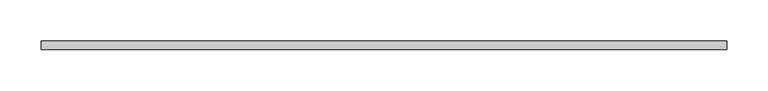
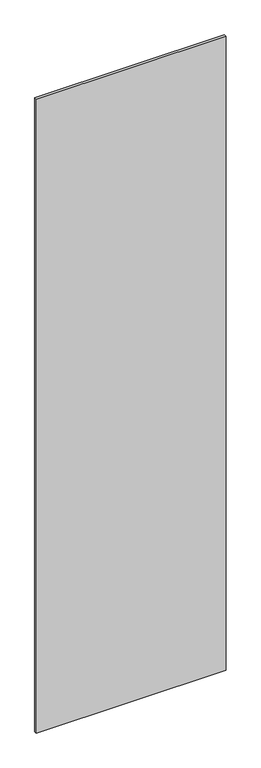
"""IFC4 building model written with IfcOpenShell, lengths in millimetres: plate geometry."""

import ifcopenshell
import ifcopenshell.guid

model = None  # the IFC model being written
_history = None  # IfcOwnerHistory: only IFC2X3 demands one
_inside = {}  # id of a spatial element -> (the spatial element, [elements in it])
_under = {}  # id of a project, library or spatial element -> (it, [spatial elements below it])
_declared = {}  # id of a project -> (the project, [libraries it declares])
_typed = {}  # id of a type object -> (the type object, [elements of that type])
_made_of = {}  # id of a material, layer set ... -> (it, [elements and type objects made of it])


def new_model(schema):
    """Start an empty IFC model of exactly this schema.

    Asked for "IFC4X3", IfcOpenShell would pick the latest addendum, in which some entities
    have other attributes; the version numbers below select the first issue.
    IFC2X3 requires an IfcOwnerHistory on every rooted entity: one is made here for all.
    """
    global model, _history
    if schema == "IFC4X3":
        model = ifcopenshell.file(schema_version=(4, 3, 0, 0))
    else:
        model = ifcopenshell.file(schema=schema)
    _inside.clear()
    _under.clear()
    _declared.clear()
    _typed.clear()
    _made_of.clear()
    _history = None
    if model.schema == "IFC2X3":
        org = make("IfcOrganization", Name="unknown")
        user = make(
            "IfcPersonAndOrganization",
            ThePerson=make("IfcPerson", FamilyName="unknown"),
            TheOrganization=org,
        )
        app = make(
            "IfcApplication",
            ApplicationDeveloper=org,
            Version="unknown",
            ApplicationFullName="unknown",
            ApplicationIdentifier="unknown",
        )
        _history = make(
            "IfcOwnerHistory",
            OwningUser=user,
            OwningApplication=app,
            ChangeAction="ADDED",
            CreationDate=0,
        )
    return model


def make(cls, **values):
    """One entity of the class cls with the attributes given. An attribute that is None is left unset."""
    return model.create_entity(
        cls, **{name: value for name, value in values.items() if value is not None}
    )


def rooted(cls, **values):
    """An entity with a GlobalId (a new one), such as an element, a storey or a relation."""
    return make(cls, GlobalId=ifcopenshell.guid.new(), OwnerHistory=_history, **values)


def si_unit(unit_type, name, prefix=None):
    """IfcSIUnit, for example si_unit("LENGTHUNIT", "METRE", prefix="MILLI")."""
    return make("IfcSIUnit", UnitType=unit_type, Prefix=prefix, Name=name)


def assignment(units):
    """IfcUnitAssignment: the units of a project."""
    return None if units is None else make("IfcUnitAssignment", Units=units)


def point(xyz):
    """IfcCartesianPoint."""
    return None if xyz is None else make("IfcCartesianPoint", Coordinates=xyz)


def direction(xyz):
    """IfcDirection."""
    return None if xyz is None else make("IfcDirection", DirectionRatios=xyz)


def frame(location, z_axis=None, x_axis=None):
    """IfcAxis2Placement3D, a coordinate frame: its origin and axes. An axis left out is left unset."""
    return make(
        "IfcAxis2Placement3D",
        Location=point(location),
        Axis=direction(z_axis),
        RefDirection=direction(x_axis),
    )


def origin():
    """The frame at (0, 0, 0) with its axes left unset."""
    return frame((0.0, 0.0, 0.0))


def origin_with_axes():
    """The frame at (0, 0, 0) with the z axis (0, 0, 1) and the x axis (1, 0, 0) written out."""
    return frame((0.0, 0.0, 0.0), z_axis=(0.0, 0.0, 1.0), x_axis=(1.0, 0.0, 0.0))


def place(relative_to, where):
    """IfcLocalPlacement: puts the frame where relative to a parent placement (None: the world)."""
    return make(
        "IfcLocalPlacement", PlacementRelTo=relative_to, RelativePlacement=where
    )


def context(
    kind, dimensions, precision=None, world=None, true_north=None, identifier=None
):
    """IfcGeometricRepresentationContext, for example the 3D "Model" context."""
    return make(
        "IfcGeometricRepresentationContext",
        ContextIdentifier=identifier,
        ContextType=kind,
        CoordinateSpaceDimension=dimensions,
        Precision=precision,
        WorldCoordinateSystem=world,
        TrueNorth=true_north,
    )


def project(units=None, contexts=None):
    """IfcProject with its units and contexts."""
    return rooted(
        "IfcProject",
        Name="project",
        RepresentationContexts=contexts,
        UnitsInContext=assignment(units),
    )


def spatial(cls, under=None, at=None, **own):
    """A site, building, storey or space (cls), placed at a placement, below another one or the project."""
    s = rooted(cls, ObjectPlacement=at, **own)
    if under is not None:
        _under.setdefault(under.id(), (under, []))[1].append(s)
    return s


def polyline(points):
    """IfcPolyline through the points."""
    return make("IfcPolyline", Points=[point(p) for p in points])


def outline(outer, holes=None, kind="AREA"):
    """IfcArbitraryClosedProfileDef: a profile drawn as a closed curve; with holes, ...WithVoids."""
    if holes is None:
        return make("IfcArbitraryClosedProfileDef", ProfileType=kind, OuterCurve=outer)
    return make(
        "IfcArbitraryProfileDefWithVoids",
        ProfileType=kind,
        OuterCurve=outer,
        InnerCurves=holes,
    )


def extrude(swept, where, along, depth):
    """IfcExtrudedAreaSolid: the profile swept, set in the frame where, extruded along a direction by depth."""
    return make(
        "IfcExtrudedAreaSolid",
        SweptArea=swept,
        Position=where,
        ExtrudedDirection=direction(along),
        Depth=depth,
    )


def shape(context_of_items, identifier, shape_type, items):
    """IfcShapeRepresentation: the items that make up one representation, for example the "Body"."""
    return make(
        "IfcShapeRepresentation",
        ContextOfItems=context_of_items,
        RepresentationIdentifier=identifier,
        RepresentationType=shape_type,
        Items=items,
    )


def source(mapping_origin, context_of_items, identifier, shape_type, items):
    """IfcRepresentationMap: a shape defined once, which mapped items show again and again."""
    return make(
        "IfcRepresentationMap",
        MappingOrigin=mapping_origin,
        MappedRepresentation=shape(context_of_items, identifier, shape_type, items),
    )


def transform(
    local_origin,
    x_axis=None,
    y_axis=None,
    z_axis=None,
    scale=None,
    scale2=None,
    scale3=None,
    uniform=True,
):
    """IfcCartesianTransformationOperator3D, or its non-uniform kind. x_axis, y_axis, z_axis: its Axis1, 2, 3."""
    if uniform:
        return make(
            "IfcCartesianTransformationOperator3D",
            Axis1=direction(x_axis),
            Axis2=direction(y_axis),
            LocalOrigin=point(local_origin),
            Scale=scale,
            Axis3=direction(z_axis),
        )
    return make(
        "IfcCartesianTransformationOperator3DnonUniform",
        Axis1=direction(x_axis),
        Axis2=direction(y_axis),
        LocalOrigin=point(local_origin),
        Scale=scale,
        Axis3=direction(z_axis),
        Scale2=scale2,
        Scale3=scale3,
    )


def mapped(mapping_source, mapping_target):
    """IfcMappedItem: shows the shape of a source again, moved by a transform."""
    return make(
        "IfcMappedItem", MappingSource=mapping_source, MappingTarget=mapping_target
    )


def made_of(thing, what):
    """Note that an element or type object is made of a material, layer set ...; save() writes the relation."""
    if what is not None:
        _made_of.setdefault(what.id(), (what, []))[1].append(thing)
    return thing


def element(
    cls,
    number,
    at=None,
    inside=None,
    cuts=None,
    type_object=None,
    material=None,
    context=None,
    identifier="Body",
    shape_type=None,
    held_by="IfcProductDefinitionShape",
    body=None,
    shapes=None,
    **own,
):
    """One element of the class cls, such as IfcWall. Its Tag is "e" and its number.

    at: its placement. inside: the storey or other place that contains it. cuts: it is an
    opening in that element (IfcRelVoidsElement). A single representation is given by context,
    identifier, shape_type and body (its items); several are given by shapes. held_by: the class
    of the entity that holds the representations. save() writes the other relations.
    """
    e = rooted(cls, Tag="e%d" % number, ObjectPlacement=at, **own)
    if body is not None:
        shapes = [shape(context, identifier, shape_type, body)]
    if shapes is not None:
        e.Representation = make(held_by, Representations=shapes)
    if inside is not None:
        _inside.setdefault(inside.id(), (inside, []))[1].append(e)
    if cuts is not None:
        rooted(
            "IfcRelVoidsElement", RelatingBuildingElement=cuts, RelatedOpeningElement=e
        )
    if type_object is not None:
        _typed.setdefault(type_object.id(), (type_object, []))[1].append(e)
    return made_of(e, material)


def aggregate(whole, parts):
    """IfcRelAggregates: a whole, such as a stair, and the parts it consists of."""
    return rooted("IfcRelAggregates", RelatingObject=whole, RelatedObjects=parts)


def save(model, path):
    """Write the relations noted so far, then the file.

    IfcRelAggregates (storeys below a building ...), IfcRelContainedInSpatialStructure (elements
    in a storey), IfcRelDefinesByType, IfcRelAssociatesMaterial and IfcRelDeclares: one each for
    every whole, place, type object, material and project.
    """
    for whole, parts in _under.values():
        aggregate(whole, parts)
    for where, things in _inside.values():
        rooted(
            "IfcRelContainedInSpatialStructure",
            RelatedElements=things,
            RelatingStructure=where,
        )
    for kind, things in _typed.values():
        rooted("IfcRelDefinesByType", RelatedObjects=things, RelatingType=kind)
    for what, things in _made_of.values():
        rooted("IfcRelAssociatesMaterial", RelatedObjects=things, RelatingMaterial=what)
    for by, libraries in _declared.values():
        rooted("IfcRelDeclares", RelatingContext=by, RelatedDefinitions=libraries)
    model.write(path)


def plate_a71482e5(model_context):
    return source(origin(), model_context, "Body", "SweptSolid", [
        extrude(outline(polyline([(415.0, -5.0), (-415.0, -5.0), (-415.0, 5.0), (415.0, 5.0), (415.0, -5.0)])), origin_with_axes(), (0.0, 0.0, 1.0), 2930.0),
    ])


if __name__ == "__main__":
    model = new_model("IFC4")
    model_context = context("Model", 3, world=origin())
    ifc_project = project(units=[si_unit("LENGTHUNIT", "METRE", prefix="MILLI")], contexts=[model_context])
    site = spatial("IfcSite", under=ifc_project)
    building = spatial("IfcBuilding", under=site)
    placement = place(None, origin())
    plate_shape = plate_a71482e5(model_context)
    element("IfcPlate", 1, at=placement, inside=building, context=model_context, shape_type="MappedRepresentation", body=[
        mapped(plate_shape, transform((0.0, 0.0, 0.0), x_axis=(1.0, 0.0, 0.0), y_axis=(0.0, 1.0, 0.0), z_axis=(0.0, 0.0, 1.0))),
    ])
    save(model, "model.ifc")
